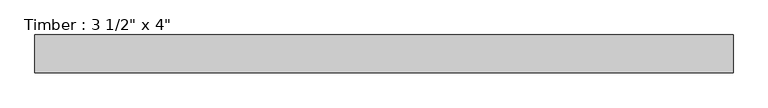
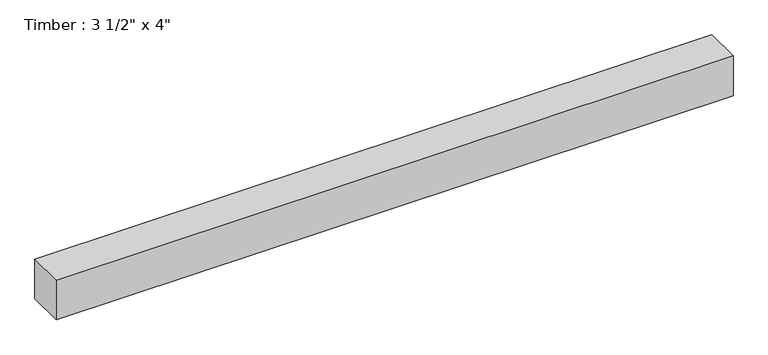
"""IFC4 building model written with IfcOpenShell, lengths in millimetres: beam geometry."""

from ifc_helpers import new_model, si_unit, frame, origin, place, context, project, spatial, polyline, outline, extrude, source, transform, mapped, element, save


def beam_3dbbf150(model_context):
    return source(origin(), model_context, "Body", "SweptSolid", [
        extrude(outline(polyline([(806.6354273, -44.45), (-831.434948, -44.45), (-831.434948, 44.45), (806.6354273, 44.45), (806.6354273, -44.45)])), frame((0.0, 0.0, -50.8), z_axis=(0.0, 0.0, 1.0), x_axis=(1.0, 0.0, 0.0)), (0.0, 0.0, 1.0), 101.6),
    ])


if __name__ == "__main__":
    model = new_model("IFC4")
    model_context = context("Model", 3, world=origin())
    ifc_project = project(units=[si_unit("LENGTHUNIT", "METRE", prefix="MILLI")], contexts=[model_context])
    site = spatial("IfcSite", under=ifc_project)
    building = spatial("IfcBuilding", under=site)
    placement = place(None, origin())
    beam_shape = beam_3dbbf150(model_context)
    element("IfcBeam", 1, ObjectType="Timber : 3 1/2\" x 4\"", at=placement, inside=building, context=model_context, shape_type="MappedRepresentation", body=[
        mapped(beam_shape, transform((0.0, 0.0, 0.0), x_axis=(1.0, 0.0, 0.0), y_axis=(0.0, 1.0, 0.0), z_axis=(0.0, 0.0, 1.0))),
    ])
    save(model, "model.ifc")
